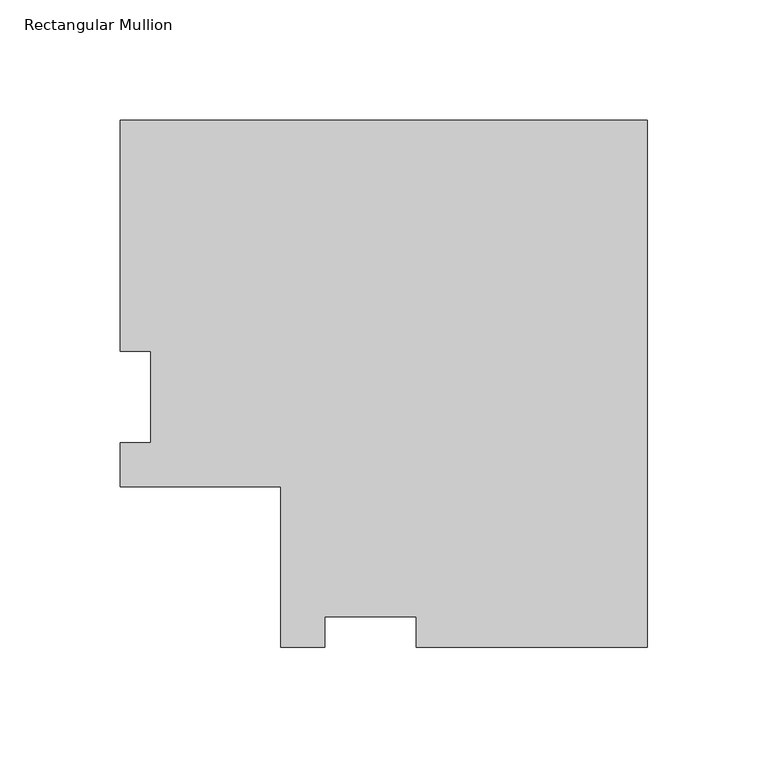
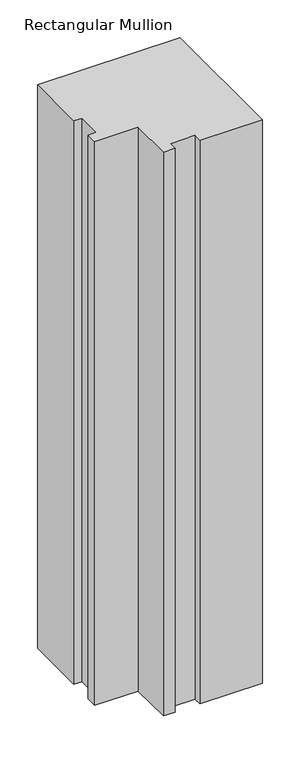
"""IFC4 building model written with IfcOpenShell, lengths in millimetres: member geometry, Rectangular Mullion."""

from ifc_helpers import new_model, si_unit, frame, origin, place, context, project, spatial, polyline, outline, extrude, source, transform, mapped, element, save


def rectangular_mullion_7d00692e(model_context):
    return source(origin(), model_context, "Body", "SweptSolid", [
        extrude(outline(polyline([(-219.1004, 152.36825), (0.0, 152.36825), (0.0, -66.73215), (-96.012, -66.73215), (-96.012, -54.03215), (-134.112, -54.03215), (-134.112, -66.73215), (-152.4, -66.73215), (-152.4, -0.03175), (-219.1004, -0.03175), (-219.1004, 18.25625), (-206.4004, 18.25625), (-206.4004, 56.35625), (-219.1004, 56.35625), (-219.1004, 152.36825)])), frame((0.0, 0.0, -914.4), z_axis=(0.0, 0.0, 1.0), x_axis=(1.0, 0.0, 0.0)), (0.0, 0.0, 1.0), 914.4),
    ])


if __name__ == "__main__":
    model = new_model("IFC4")
    model_context = context("Model", 3, world=origin())
    ifc_project = project(units=[si_unit("LENGTHUNIT", "METRE", prefix="MILLI")], contexts=[model_context])
    site = spatial("IfcSite", under=ifc_project)
    building = spatial("IfcBuilding", under=site)
    placement = place(None, origin())
    rectangular_mullion_shape = rectangular_mullion_7d00692e(model_context)
    element("IfcMember", 1, ObjectType="Rectangular Mullion", at=placement, inside=building, context=model_context, shape_type="MappedRepresentation", body=[
        mapped(rectangular_mullion_shape, transform((0.0, 0.0, 0.0), x_axis=(1.0, 0.0, 0.0), y_axis=(0.0, 1.0, 0.0), z_axis=(0.0, 0.0, 1.0))),
    ])
    save(model, "model.ifc")
